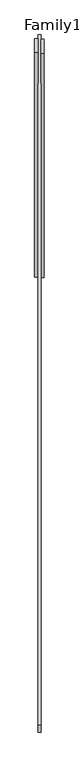
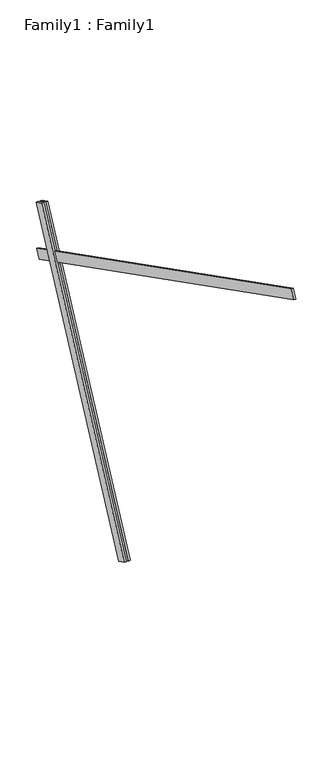
"""IFC4 building model written with IfcOpenShell, lengths in millimetres: proxy geometry, Family1 : Family1."""

from ifc_helpers import new_model, si_unit, frame, origin, place, context, project, spatial, polyline, outline, extrude, source, transform, mapped, element, save


def family1_family1_e43413f1(model_context):
    return source(origin(), model_context, "Body", "SweptSolid", [
        extrude(outline(polyline([(0.0, 0.0), (0.0, -20.0), (-100.0000001, -20.0), (-100.0000001, 0.0), (0.0, 0.0)])), frame((-30.0, 46.3241747, -22.5938096), z_axis=(0.0, 0.4383711467890692, 0.8987940462991711), x_axis=(0.0, 0.8987940462991711, -0.4383711467890692)), (0.0, 0.0, 1.0), 3300.0),
        extrude(outline(polyline([(0.0, 0.0), (0.0, -20.0), (-99.9999999, -20.0), (-99.9999999, 0.0), (0.0, 0.0)])), frame((10.0, 45.270232, -22.0797674), z_axis=(0.0, 0.4383711467890692, 0.8987940462991711), x_axis=(0.0, 0.8987940462991711, -0.4383711467890692)), (0.0, 0.0, 1.0), 3300.0),
        extrude(outline(polyline([(0.0, -20.0), (0.0, 0.0), (5000.0, 0.0), (5000.0, -20.0), (0.0, -20.0)])), frame((-10.0, -2981.4428131, 4605.039523), z_axis=(0.0, 0.45399049973954886, 0.8910065241883668), x_axis=(0.0, 0.8910065241883668, -0.45399049973954886)), (0.0, 0.0, 1.0), 100.0),
    ])


if __name__ == "__main__":
    model = new_model("IFC4")
    model_context = context("Model", 3, world=origin())
    ifc_project = project(units=[si_unit("LENGTHUNIT", "METRE", prefix="MILLI")], contexts=[model_context])
    site = spatial("IfcSite", under=ifc_project)
    building = spatial("IfcBuilding", under=site)
    placement = place(None, origin())
    family1_family1_shape = family1_family1_e43413f1(model_context)
    element("IfcBuildingElementProxy", 1, Name="Family1 : Family1", ObjectType="Family1 : Family1", at=placement, inside=building, context=model_context, shape_type="MappedRepresentation", body=[
        mapped(family1_family1_shape, transform((0.0, 0.0, 0.0), x_axis=(1.0, 0.0, 0.0), y_axis=(0.0, 1.0, 0.0), z_axis=(0.0, 0.0, 1.0))),
    ])
    save(model, "model.ifc")
